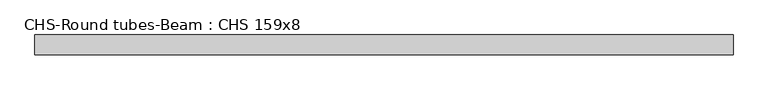
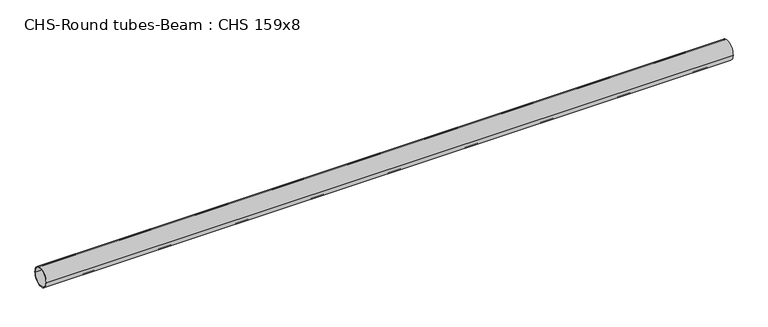
"""IFC4 building model written with IfcOpenShell, lengths in millimetres: beam geometry, CHS-Round tubes-Beam : CHS 159x8."""

from ifc_helpers import new_model, si_unit, point, frame, origin, origin_2d, place, context, project, spatial, circle_curve, trimmed, segment, composite_curve, outline, extrude, source, transform, mapped, element, save


def chs_round_tubes_beam_chs_159x8_5d24f9f2(model_context):
    return source(origin(), model_context, "Body", "SweptSolid", [
        extrude(outline(composite_curve([segment(trimmed(circle_curve(origin_2d(), 79.5), [point((79.5, 0.0))], [point((-79.5, 0.0))], False, "CARTESIAN"), True, "CONTINUOUS"), segment(trimmed(circle_curve(origin_2d(), 79.5), [point((-79.5, 0.0))], [point((79.5, 0.0))], False, "CARTESIAN"), True, "CONTINUOUS")], self_intersect=False), holes=[composite_curve([segment(trimmed(circle_curve(origin_2d(), 71.5), [point((71.5, 0.0))], [point((-71.5, 0.0))], True, "CARTESIAN"), True, "CONTINUOUS"), segment(trimmed(circle_curve(origin_2d(), 71.5), [point((-71.5, 0.0))], [point((71.5, 0.0))], True, "CARTESIAN"), True, "CONTINUOUS")], self_intersect=False)]), frame((-2821.3462548, 0.0, 0.0), z_axis=(1.0, 0.0, 0.0), x_axis=(0.0, 1.0, 0.0)), (0.0, 0.0, 1.0), 5636.3575402),
    ])


if __name__ == "__main__":
    model = new_model("IFC4")
    model_context = context("Model", 3, world=origin())
    ifc_project = project(units=[si_unit("LENGTHUNIT", "METRE", prefix="MILLI")], contexts=[model_context])
    site = spatial("IfcSite", under=ifc_project)
    building = spatial("IfcBuilding", under=site)
    placement = place(None, origin())
    chs_round_tubes_beam_chs_159x8_shape = chs_round_tubes_beam_chs_159x8_5d24f9f2(model_context)
    element("IfcBeam", 1, ObjectType="CHS-Round tubes-Beam : CHS 159x8", at=placement, inside=building, context=model_context, shape_type="MappedRepresentation", body=[
        mapped(chs_round_tubes_beam_chs_159x8_shape, transform((0.0, 0.0, 0.0), x_axis=(1.0, 0.0, 0.0), y_axis=(0.0, 1.0, 0.0), z_axis=(0.0, 0.0, 1.0))),
    ])
    save(model, "model.ifc")
